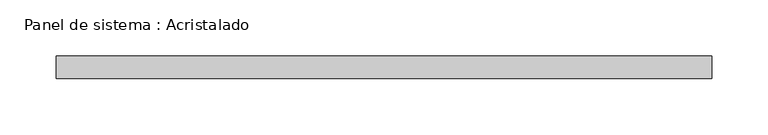
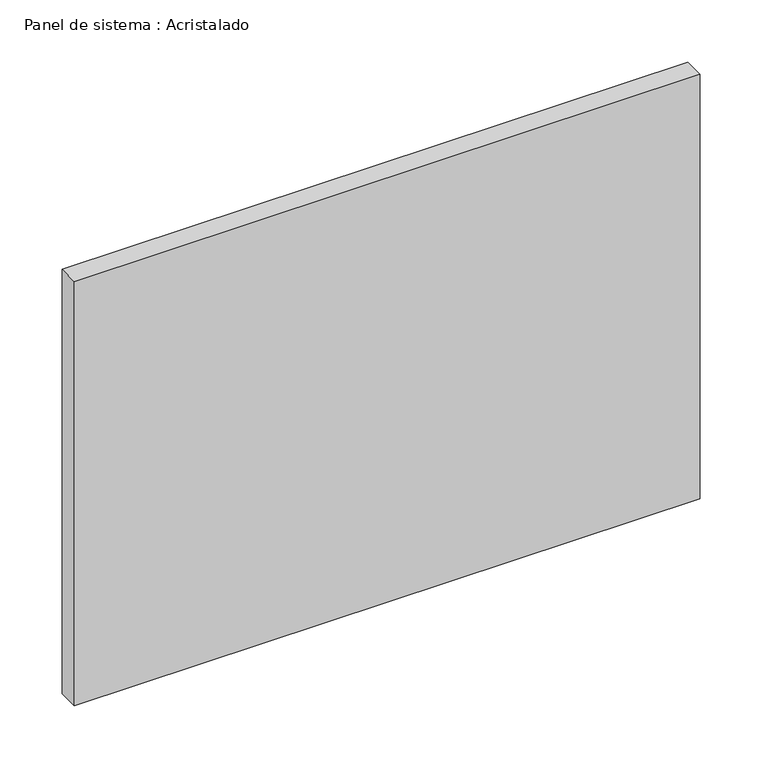
"""IFC4 building model written with IfcOpenShell, lengths in millimetres: plate geometry, Panel de sistema : Acristalado."""

from ifc_helpers import new_model, si_unit, origin, origin_with_axes, place, context, project, spatial, polyline, outline, extrude, source, transform, mapped, element, save


def panel_de_sistema_acristalado_0e8f8990(model_context):
    return source(origin(), model_context, "Body", "SweptSolid", [
        extrude(outline(polyline([(291.5, -10.0), (-291.5, -10.0), (-291.5, 10.0), (291.5, 10.0), (291.5, -10.0)])), origin_with_axes(), (0.0, 0.0, 1.0), 417.7452144),
    ])


if __name__ == "__main__":
    model = new_model("IFC4")
    model_context = context("Model", 3, world=origin())
    ifc_project = project(units=[si_unit("LENGTHUNIT", "METRE", prefix="MILLI")], contexts=[model_context])
    site = spatial("IfcSite", under=ifc_project)
    building = spatial("IfcBuilding", under=site)
    placement = place(None, origin())
    panel_de_sistema_acristalado_shape = panel_de_sistema_acristalado_0e8f8990(model_context)
    element("IfcPlate", 1, ObjectType="Panel de sistema : Acristalado", at=placement, inside=building, context=model_context, shape_type="MappedRepresentation", body=[
        mapped(panel_de_sistema_acristalado_shape, transform((0.0, 0.0, 0.0), x_axis=(1.0, 0.0, 0.0), y_axis=(0.0, 1.0, 0.0), z_axis=(0.0, 0.0, 1.0))),
    ])
    save(model, "model.ifc")
